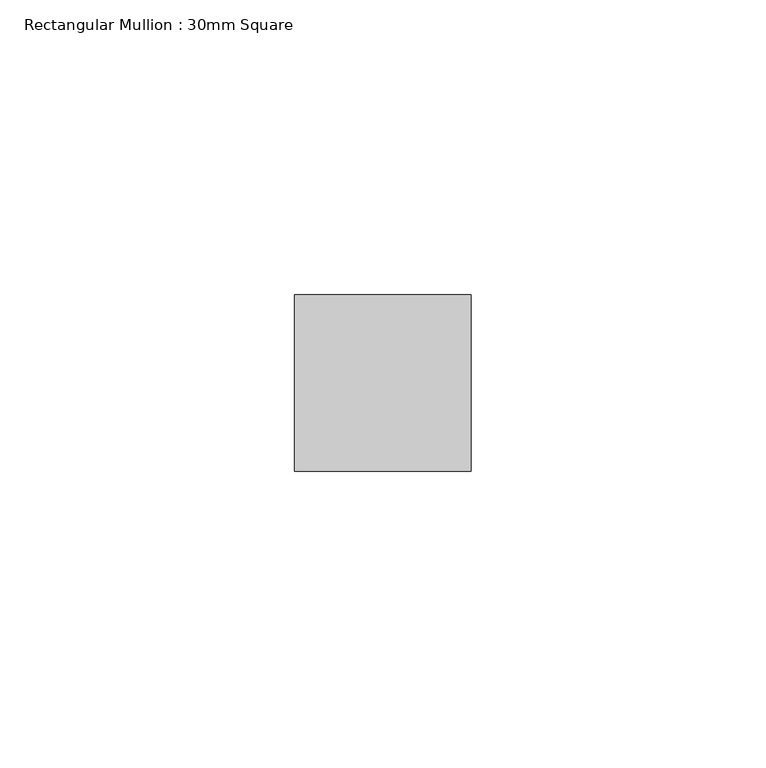
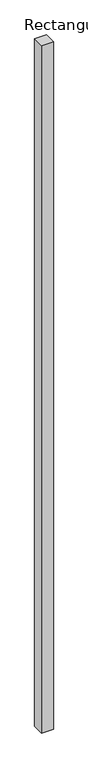
"""IFC4 building model written with IfcOpenShell, lengths in millimetres: member geometry, Rectangular Mullion : 30mm Square."""

from ifc_helpers import new_model, si_unit, frame, origin, place, context, project, spatial, polyline, outline, extrude, source, transform, mapped, element, save


def rectangular_mullion_30mm_square_d9d21daa(model_context):
    return source(origin(), model_context, "Body", "SweptSolid", [
        extrude(outline(polyline([(15.0, 15.0), (15.0, -15.0), (-15.0, -15.0), (-15.0, 15.0), (15.0, 15.0)])), frame((0.0, 0.0, -1841.4747805), z_axis=(0.0, 0.0, 1.0), x_axis=(1.0, 0.0, 0.0)), (0.0, 0.0, 1.0), 1841.4747805),
    ])


if __name__ == "__main__":
    model = new_model("IFC4")
    model_context = context("Model", 3, world=origin())
    ifc_project = project(units=[si_unit("LENGTHUNIT", "METRE", prefix="MILLI")], contexts=[model_context])
    site = spatial("IfcSite", under=ifc_project)
    building = spatial("IfcBuilding", under=site)
    placement = place(None, origin())
    rectangular_mullion_30mm_square_shape = rectangular_mullion_30mm_square_d9d21daa(model_context)
    element("IfcMember", 1, ObjectType="Rectangular Mullion : 30mm Square", at=placement, inside=building, context=model_context, shape_type="MappedRepresentation", body=[
        mapped(rectangular_mullion_30mm_square_shape, transform((0.0, 0.0, 0.0), x_axis=(1.0, 0.0, 0.0), y_axis=(0.0, 1.0, 0.0), z_axis=(0.0, 0.0, 1.0))),
    ])
    save(model, "model.ifc")
